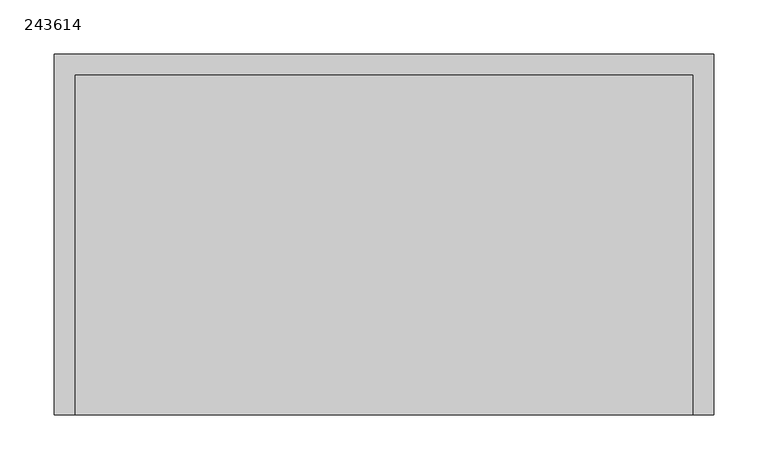
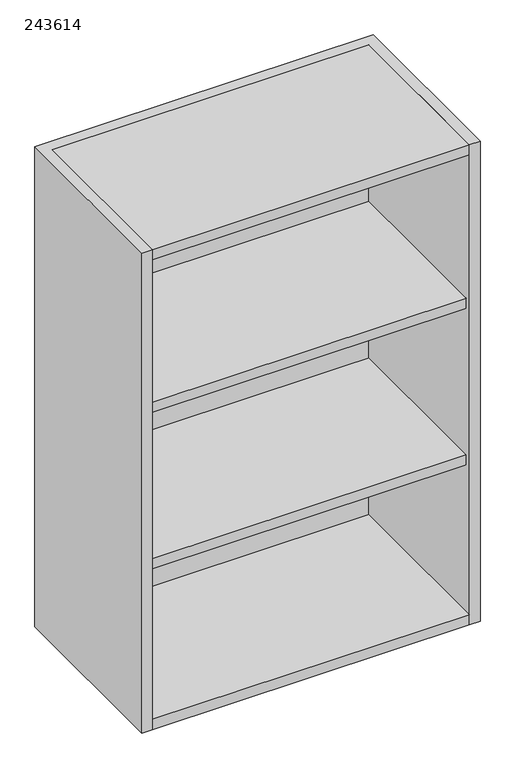
"""IFC4 building model written with IfcOpenShell, lengths in millimetres: furniture geometry, 243614."""

import ifcopenshell
import ifcopenshell.guid

model = None  # the IFC model being written
_history = None  # IfcOwnerHistory: only IFC2X3 demands one
_inside = {}  # id of a spatial element -> (the spatial element, [elements in it])
_under = {}  # id of a project, library or spatial element -> (it, [spatial elements below it])
_declared = {}  # id of a project -> (the project, [libraries it declares])
_typed = {}  # id of a type object -> (the type object, [elements of that type])
_made_of = {}  # id of a material, layer set ... -> (it, [elements and type objects made of it])


def new_model(schema):
    """Start an empty IFC model of exactly this schema.

    Asked for "IFC4X3", IfcOpenShell would pick the latest addendum, in which some entities
    have other attributes; the version numbers below select the first issue.
    IFC2X3 requires an IfcOwnerHistory on every rooted entity: one is made here for all.
    """
    global model, _history
    if schema == "IFC4X3":
        model = ifcopenshell.file(schema_version=(4, 3, 0, 0))
    else:
        model = ifcopenshell.file(schema=schema)
    _inside.clear()
    _under.clear()
    _declared.clear()
    _typed.clear()
    _made_of.clear()
    _history = None
    if model.schema == "IFC2X3":
        org = make("IfcOrganization", Name="unknown")
        user = make(
            "IfcPersonAndOrganization",
            ThePerson=make("IfcPerson", FamilyName="unknown"),
            TheOrganization=org,
        )
        app = make(
            "IfcApplication",
            ApplicationDeveloper=org,
            Version="unknown",
            ApplicationFullName="unknown",
            ApplicationIdentifier="unknown",
        )
        _history = make(
            "IfcOwnerHistory",
            OwningUser=user,
            OwningApplication=app,
            ChangeAction="ADDED",
            CreationDate=0,
        )
    return model


def make(cls, **values):
    """One entity of the class cls with the attributes given. An attribute that is None is left unset."""
    return model.create_entity(
        cls, **{name: value for name, value in values.items() if value is not None}
    )


def rooted(cls, **values):
    """An entity with a GlobalId (a new one), such as an element, a storey or a relation."""
    return make(cls, GlobalId=ifcopenshell.guid.new(), OwnerHistory=_history, **values)


def si_unit(unit_type, name, prefix=None):
    """IfcSIUnit, for example si_unit("LENGTHUNIT", "METRE", prefix="MILLI")."""
    return make("IfcSIUnit", UnitType=unit_type, Prefix=prefix, Name=name)


def assignment(units):
    """IfcUnitAssignment: the units of a project."""
    return None if units is None else make("IfcUnitAssignment", Units=units)


def point(xyz):
    """IfcCartesianPoint."""
    return None if xyz is None else make("IfcCartesianPoint", Coordinates=xyz)


def direction(xyz):
    """IfcDirection."""
    return None if xyz is None else make("IfcDirection", DirectionRatios=xyz)


def frame(location, z_axis=None, x_axis=None):
    """IfcAxis2Placement3D, a coordinate frame: its origin and axes. An axis left out is left unset."""
    return make(
        "IfcAxis2Placement3D",
        Location=point(location),
        Axis=direction(z_axis),
        RefDirection=direction(x_axis),
    )


def origin():
    """The frame at (0, 0, 0) with its axes left unset."""
    return frame((0.0, 0.0, 0.0))


def place(relative_to, where):
    """IfcLocalPlacement: puts the frame where relative to a parent placement (None: the world)."""
    return make(
        "IfcLocalPlacement", PlacementRelTo=relative_to, RelativePlacement=where
    )


def context(
    kind, dimensions, precision=None, world=None, true_north=None, identifier=None
):
    """IfcGeometricRepresentationContext, for example the 3D "Model" context."""
    return make(
        "IfcGeometricRepresentationContext",
        ContextIdentifier=identifier,
        ContextType=kind,
        CoordinateSpaceDimension=dimensions,
        Precision=precision,
        WorldCoordinateSystem=world,
        TrueNorth=true_north,
    )


def project(units=None, contexts=None):
    """IfcProject with its units and contexts."""
    return rooted(
        "IfcProject",
        Name="project",
        RepresentationContexts=contexts,
        UnitsInContext=assignment(units),
    )


def spatial(cls, under=None, at=None, **own):
    """A site, building, storey or space (cls), placed at a placement, below another one or the project."""
    s = rooted(cls, ObjectPlacement=at, **own)
    if under is not None:
        _under.setdefault(under.id(), (under, []))[1].append(s)
    return s


def polyline(points):
    """IfcPolyline through the points."""
    return make("IfcPolyline", Points=[point(p) for p in points])


def outline(outer, holes=None, kind="AREA"):
    """IfcArbitraryClosedProfileDef: a profile drawn as a closed curve; with holes, ...WithVoids."""
    if holes is None:
        return make("IfcArbitraryClosedProfileDef", ProfileType=kind, OuterCurve=outer)
    return make(
        "IfcArbitraryProfileDefWithVoids",
        ProfileType=kind,
        OuterCurve=outer,
        InnerCurves=holes,
    )


def extrude(swept, where, along, depth):
    """IfcExtrudedAreaSolid: the profile swept, set in the frame where, extruded along a direction by depth."""
    return make(
        "IfcExtrudedAreaSolid",
        SweptArea=swept,
        Position=where,
        ExtrudedDirection=direction(along),
        Depth=depth,
    )


def shape(context_of_items, identifier, shape_type, items):
    """IfcShapeRepresentation: the items that make up one representation, for example the "Body"."""
    return make(
        "IfcShapeRepresentation",
        ContextOfItems=context_of_items,
        RepresentationIdentifier=identifier,
        RepresentationType=shape_type,
        Items=items,
    )


def source(mapping_origin, context_of_items, identifier, shape_type, items):
    """IfcRepresentationMap: a shape defined once, which mapped items show again and again."""
    return make(
        "IfcRepresentationMap",
        MappingOrigin=mapping_origin,
        MappedRepresentation=shape(context_of_items, identifier, shape_type, items),
    )


def transform(
    local_origin,
    x_axis=None,
    y_axis=None,
    z_axis=None,
    scale=None,
    scale2=None,
    scale3=None,
    uniform=True,
):
    """IfcCartesianTransformationOperator3D, or its non-uniform kind. x_axis, y_axis, z_axis: its Axis1, 2, 3."""
    if uniform:
        return make(
            "IfcCartesianTransformationOperator3D",
            Axis1=direction(x_axis),
            Axis2=direction(y_axis),
            LocalOrigin=point(local_origin),
            Scale=scale,
            Axis3=direction(z_axis),
        )
    return make(
        "IfcCartesianTransformationOperator3DnonUniform",
        Axis1=direction(x_axis),
        Axis2=direction(y_axis),
        LocalOrigin=point(local_origin),
        Scale=scale,
        Axis3=direction(z_axis),
        Scale2=scale2,
        Scale3=scale3,
    )


def mapped(mapping_source, mapping_target):
    """IfcMappedItem: shows the shape of a source again, moved by a transform."""
    return make(
        "IfcMappedItem", MappingSource=mapping_source, MappingTarget=mapping_target
    )


def made_of(thing, what):
    """Note that an element or type object is made of a material, layer set ...; save() writes the relation."""
    if what is not None:
        _made_of.setdefault(what.id(), (what, []))[1].append(thing)
    return thing


def element(
    cls,
    number,
    at=None,
    inside=None,
    cuts=None,
    type_object=None,
    material=None,
    context=None,
    identifier="Body",
    shape_type=None,
    held_by="IfcProductDefinitionShape",
    body=None,
    shapes=None,
    **own,
):
    """One element of the class cls, such as IfcWall. Its Tag is "e" and its number.

    at: its placement. inside: the storey or other place that contains it. cuts: it is an
    opening in that element (IfcRelVoidsElement). A single representation is given by context,
    identifier, shape_type and body (its items); several are given by shapes. held_by: the class
    of the entity that holds the representations. save() writes the other relations.
    """
    e = rooted(cls, Tag="e%d" % number, ObjectPlacement=at, **own)
    if body is not None:
        shapes = [shape(context, identifier, shape_type, body)]
    if shapes is not None:
        e.Representation = make(held_by, Representations=shapes)
    if inside is not None:
        _inside.setdefault(inside.id(), (inside, []))[1].append(e)
    if cuts is not None:
        rooted(
            "IfcRelVoidsElement", RelatingBuildingElement=cuts, RelatedOpeningElement=e
        )
    if type_object is not None:
        _typed.setdefault(type_object.id(), (type_object, []))[1].append(e)
    return made_of(e, material)


def aggregate(whole, parts):
    """IfcRelAggregates: a whole, such as a stair, and the parts it consists of."""
    return rooted("IfcRelAggregates", RelatingObject=whole, RelatedObjects=parts)


def save(model, path):
    """Write the relations noted so far, then the file.

    IfcRelAggregates (storeys below a building ...), IfcRelContainedInSpatialStructure (elements
    in a storey), IfcRelDefinesByType, IfcRelAssociatesMaterial and IfcRelDeclares: one each for
    every whole, place, type object, material and project.
    """
    for whole, parts in _under.values():
        aggregate(whole, parts)
    for where, things in _inside.values():
        rooted(
            "IfcRelContainedInSpatialStructure",
            RelatedElements=things,
            RelatingStructure=where,
        )
    for kind, things in _typed.values():
        rooted("IfcRelDefinesByType", RelatedObjects=things, RelatingType=kind)
    for what, things in _made_of.values():
        rooted("IfcRelAssociatesMaterial", RelatedObjects=things, RelatingMaterial=what)
    for by, libraries in _declared.values():
        rooted("IfcRelDeclares", RelatingContext=by, RelatedDefinitions=libraries)
    model.write(path)


def furniture_243614_b3223bf2(model_context):
    return source(origin(), model_context, "Body", "SweptSolid", [
        extrude(outline(polyline([(285.6, -397.1), (285.6, -82.7), (-285.6, -82.7), (-285.6, -397.1), (-304.8, -397.1), (-304.8, -63.5), (304.8, -63.5), (304.8, -397.1), (285.6, -397.1)])), frame((0.0, 0.0, 1219.2), z_axis=(0.0, 0.0, 1.0), x_axis=(1.0, 0.0, 0.0)), (0.0, 0.0, 1.0), 914.4),
        extrude(outline(polyline([(285.6, -82.7), (285.6, -387.1), (-285.6, -387.1), (-285.6, -82.7), (285.6, -82.7)])), frame((0.0, 0.0, 1816.0), z_axis=(0.0, 0.0, 1.0), x_axis=(1.0, 0.0, 0.0)), (0.0, 0.0, 1.0), 19.2),
        extrude(outline(polyline([(285.6, -82.7), (285.6, -387.1), (-285.6, -387.1), (-285.6, -82.7), (285.6, -82.7)])), frame((0.0, 0.0, 1517.6), z_axis=(0.0, 0.0, 1.0), x_axis=(1.0, 0.0, 0.0)), (0.0, 0.0, 1.0), 19.2),
        extrude(outline(polyline([(285.6, -397.1), (-285.6, -397.1), (-285.6, -82.7), (285.6, -82.7), (285.6, -397.1)])), frame((0.0, 0.0, 2114.4), z_axis=(0.0, 0.0, 1.0), x_axis=(1.0, 0.0, 0.0)), (0.0, 0.0, 1.0), 19.2),
        extrude(outline(polyline([(285.6, -397.1), (-285.6, -397.1), (-285.6, -82.7), (285.6, -82.7), (285.6, -397.1)])), frame((0.0, 0.0, 1219.2), z_axis=(0.0, 0.0, 1.0), x_axis=(1.0, 0.0, 0.0)), (0.0, 0.0, 1.0), 19.2),
    ])


if __name__ == "__main__":
    model = new_model("IFC4")
    model_context = context("Model", 3, world=origin())
    ifc_project = project(units=[si_unit("LENGTHUNIT", "METRE", prefix="MILLI")], contexts=[model_context])
    site = spatial("IfcSite", under=ifc_project)
    building = spatial("IfcBuilding", under=site)
    placement = place(None, origin())
    furniture_243614_shape = furniture_243614_b3223bf2(model_context)
    element("IfcFurniture", 1, ObjectType="243614", at=placement, inside=building, context=model_context, shape_type="MappedRepresentation", body=[
        mapped(furniture_243614_shape, transform((0.0, 0.0, 0.0), x_axis=(1.0, 0.0, 0.0), y_axis=(0.0, 1.0, 0.0), z_axis=(0.0, 0.0, 1.0))),
    ])
    save(model, "model.ifc")
